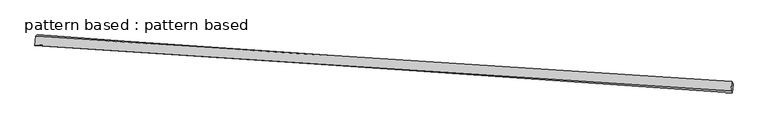
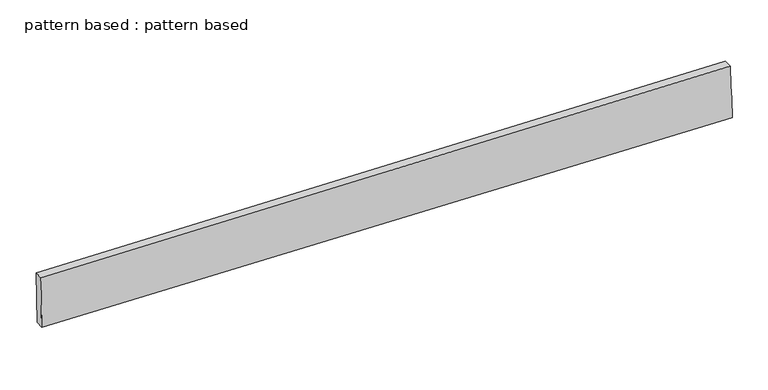
"""IFC4 building model written with IfcOpenShell, lengths in millimetres: plate geometry, pattern based : pattern based."""

from ifc_helpers import new_model, si_unit, frame, origin, place, context, project, spatial, source, transform, mapped, element, save
from ifc_brep_helpers import plane_surface, spline_surface, advanced_brep


def pattern_based_pattern_based_992a0115(model_context):
    return source(origin(), model_context, "Body", "AdvancedBrep", [
        advanced_brep(
        [(3671.5033036, 3671.5033036, -25.0841815), (3667.1553057, 3667.3994272, 124.7966148), (3668.8526005, 3692.3416699, 124.7356454), (3673.2005984, 3696.4455463, -25.1451509), (5518.7679666, 3546.2875826, 174.8934755), (5520.4652614, 3571.2298253, 174.8325061), (5522.4460003, 3540.9048535, 25.0352148), (5524.143295, 3565.8470963, 24.9742454)],
        [
            (0, 1),
            (1, 2),
            (2, 3),
            (3, 0),
            (1, 4),
            (4, 5),
            (5, 2),
            (4, 6),
            (6, 7),
            (7, 5),
            (6, 0),
            (3, 7),
        ],
        [
            plane_surface(frame((3669.3293047, 3669.4513654, 49.8562166), z_axis=(-0.9973313860946317, 0.06780122236240319, -0.027075829751359488), x_axis=(-0.028986652591784713, -0.027359175997607163, 0.9992053089632056))),
            plane_surface(frame((4592.9616362, 3606.8435049, 149.8450452), z_axis=(-0.02676689141503219, 0.004264985821886978, 0.9996326042201279), x_axis=(0.9975042080457936, -0.0652455976365745, 0.026988273749541585))),
            plane_surface(frame((5520.6069835, 3543.596218, 99.9643452), z_axis=(0.9973357357164832, -0.06780191542291734, 0.02691338937861363), x_axis=(0.024520224225102936, -0.03588486048802153, -0.9990550712506823))),
            plane_surface(frame((4596.9746519, 3606.2040786, -0.0244834), z_axis=(0.026766891415031843, -0.004264985821886956, -0.999632604220128), x_axis=(-0.9971563709600789, 0.070357162748848, -0.027000768575315543))),
            spline_surface(1, 1, [[(3668.8526005, 3692.3416699, 124.7356454), (3673.2005984, 3696.4455463, -25.1451509)], [(5520.4652614, 3571.2298253, 174.8325061), (5524.143295, 3565.8470963, 24.9742454)]], [2, 2], [2, 2], [0.0, 1.0], [0.0, 1.0]),
            spline_surface(1, 1, [[(5522.4460003, 3540.9048535, 25.0352148), (3671.5033036, 3671.5033036, -25.0841815)], [(5518.7679666, 3546.2875826, 174.8934755), (3667.1553057, 3667.3994272, 124.7966148)]], [2, 2], [2, 2], [0.0, 1.0], [0.0, 1.0]),
        ],
        [
            (0, [[1, 2, 3, 4]]),
            (1, [[5, 6, 7, -2]]),
            (2, [[8, 9, 10, -6]]),
            (3, [[11, -4, 12, -9]]),
            (4, [[-3, -7, -10, -12]]),
            (5, [[-11, -8, -5, -1]]),
        ],
    ),
    ])


if __name__ == "__main__":
    model = new_model("IFC4")
    model_context = context("Model", 3, world=origin())
    ifc_project = project(units=[si_unit("LENGTHUNIT", "METRE", prefix="MILLI")], contexts=[model_context])
    site = spatial("IfcSite", under=ifc_project)
    building = spatial("IfcBuilding", under=site)
    placement = place(None, origin())
    pattern_based_pattern_based_shape = pattern_based_pattern_based_992a0115(model_context)
    element("IfcPlate", 1, ObjectType="pattern based : pattern based", at=placement, inside=building, context=model_context, shape_type="MappedRepresentation", body=[
        mapped(pattern_based_pattern_based_shape, transform((0.0, 0.0, 0.0), x_axis=(1.0, 0.0, 0.0), y_axis=(0.0, 1.0, 0.0), z_axis=(0.0, 0.0, 1.0))),
    ])
    save(model, "model.ifc")
